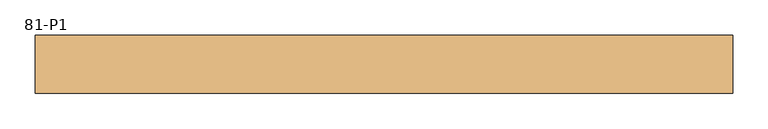
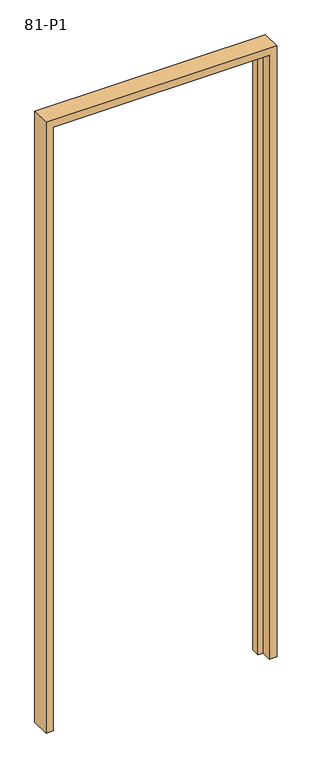
"""IFC4 building model written with IfcOpenShell, lengths in millimetres: door geometry, 81-P1."""

import ifcopenshell
import ifcopenshell.guid

model = None  # the IFC model being written
_history = None  # IfcOwnerHistory: only IFC2X3 demands one
_inside = {}  # id of a spatial element -> (the spatial element, [elements in it])
_under = {}  # id of a project, library or spatial element -> (it, [spatial elements below it])
_declared = {}  # id of a project -> (the project, [libraries it declares])
_typed = {}  # id of a type object -> (the type object, [elements of that type])
_made_of = {}  # id of a material, layer set ... -> (it, [elements and type objects made of it])


def new_model(schema):
    """Start an empty IFC model of exactly this schema.

    Asked for "IFC4X3", IfcOpenShell would pick the latest addendum, in which some entities
    have other attributes; the version numbers below select the first issue.
    IFC2X3 requires an IfcOwnerHistory on every rooted entity: one is made here for all.
    """
    global model, _history
    if schema == "IFC4X3":
        model = ifcopenshell.file(schema_version=(4, 3, 0, 0))
    else:
        model = ifcopenshell.file(schema=schema)
    _inside.clear()
    _under.clear()
    _declared.clear()
    _typed.clear()
    _made_of.clear()
    _history = None
    if model.schema == "IFC2X3":
        org = make("IfcOrganization", Name="unknown")
        user = make(
            "IfcPersonAndOrganization",
            ThePerson=make("IfcPerson", FamilyName="unknown"),
            TheOrganization=org,
        )
        app = make(
            "IfcApplication",
            ApplicationDeveloper=org,
            Version="unknown",
            ApplicationFullName="unknown",
            ApplicationIdentifier="unknown",
        )
        _history = make(
            "IfcOwnerHistory",
            OwningUser=user,
            OwningApplication=app,
            ChangeAction="ADDED",
            CreationDate=0,
        )
    return model


def make(cls, **values):
    """One entity of the class cls with the attributes given. An attribute that is None is left unset."""
    return model.create_entity(
        cls, **{name: value for name, value in values.items() if value is not None}
    )


def rooted(cls, **values):
    """An entity with a GlobalId (a new one), such as an element, a storey or a relation."""
    return make(cls, GlobalId=ifcopenshell.guid.new(), OwnerHistory=_history, **values)


def si_unit(unit_type, name, prefix=None):
    """IfcSIUnit, for example si_unit("LENGTHUNIT", "METRE", prefix="MILLI")."""
    return make("IfcSIUnit", UnitType=unit_type, Prefix=prefix, Name=name)


def assignment(units):
    """IfcUnitAssignment: the units of a project."""
    return None if units is None else make("IfcUnitAssignment", Units=units)


def point(xyz):
    """IfcCartesianPoint."""
    return None if xyz is None else make("IfcCartesianPoint", Coordinates=xyz)


def direction(xyz):
    """IfcDirection."""
    return None if xyz is None else make("IfcDirection", DirectionRatios=xyz)


def frame(location, z_axis=None, x_axis=None):
    """IfcAxis2Placement3D, a coordinate frame: its origin and axes. An axis left out is left unset."""
    return make(
        "IfcAxis2Placement3D",
        Location=point(location),
        Axis=direction(z_axis),
        RefDirection=direction(x_axis),
    )


def origin():
    """The frame at (0, 0, 0) with its axes left unset."""
    return frame((0.0, 0.0, 0.0))


def place(relative_to, where):
    """IfcLocalPlacement: puts the frame where relative to a parent placement (None: the world)."""
    return make(
        "IfcLocalPlacement", PlacementRelTo=relative_to, RelativePlacement=where
    )


def context(
    kind, dimensions, precision=None, world=None, true_north=None, identifier=None
):
    """IfcGeometricRepresentationContext, for example the 3D "Model" context."""
    return make(
        "IfcGeometricRepresentationContext",
        ContextIdentifier=identifier,
        ContextType=kind,
        CoordinateSpaceDimension=dimensions,
        Precision=precision,
        WorldCoordinateSystem=world,
        TrueNorth=true_north,
    )


def project(units=None, contexts=None):
    """IfcProject with its units and contexts."""
    return rooted(
        "IfcProject",
        Name="project",
        RepresentationContexts=contexts,
        UnitsInContext=assignment(units),
    )


def spatial(cls, under=None, at=None, **own):
    """A site, building, storey or space (cls), placed at a placement, below another one or the project."""
    s = rooted(cls, ObjectPlacement=at, **own)
    if under is not None:
        _under.setdefault(under.id(), (under, []))[1].append(s)
    return s


def faces_of(points, faces, orient=None, outer=None):
    """IfcFace entities. A face is a list of loops; a loop is a list of indices into points, from 0.

    orient and outer hold one flag for each loop. By default every Orientation is true, the
    first loop of a face is its IfcFaceOuterBound and the others are IfcFaceBound.
    """
    made = []
    for i, loops in enumerate(faces):
        bounds = []
        for j, loop in enumerate(loops):
            is_outer = j == 0 if outer is None else outer[i][j]
            bounds.append(
                make(
                    "IfcFaceOuterBound" if is_outer else "IfcFaceBound",
                    Bound=make("IfcPolyLoop", Polygon=[points[k] for k in loop]),
                    Orientation=True if orient is None else orient[i][j],
                )
            )
        made.append(make("IfcFace", Bounds=bounds))
    return made


def faceted_brep(points, faces, orient=None, outer=None, voids=None):
    """IfcFacetedBrep: a solid bounded by flat faces; with voids (closed shells), ...WithVoids."""
    shared = [point(p) for p in points]
    hull = make("IfcClosedShell", CfsFaces=faces_of(shared, faces, orient, outer))
    if voids is None:
        return make("IfcFacetedBrep", Outer=hull)
    return make(
        "IfcFacetedBrepWithVoids",
        Outer=hull,
        Voids=[
            make(cls, CfsFaces=faces_of(shared, fs, o, b)) for cls, fs, o, b in voids
        ],
    )


def shape(context_of_items, identifier, shape_type, items):
    """IfcShapeRepresentation: the items that make up one representation, for example the "Body"."""
    return make(
        "IfcShapeRepresentation",
        ContextOfItems=context_of_items,
        RepresentationIdentifier=identifier,
        RepresentationType=shape_type,
        Items=items,
    )


def source(mapping_origin, context_of_items, identifier, shape_type, items):
    """IfcRepresentationMap: a shape defined once, which mapped items show again and again."""
    return make(
        "IfcRepresentationMap",
        MappingOrigin=mapping_origin,
        MappedRepresentation=shape(context_of_items, identifier, shape_type, items),
    )


def transform(
    local_origin,
    x_axis=None,
    y_axis=None,
    z_axis=None,
    scale=None,
    scale2=None,
    scale3=None,
    uniform=True,
):
    """IfcCartesianTransformationOperator3D, or its non-uniform kind. x_axis, y_axis, z_axis: its Axis1, 2, 3."""
    if uniform:
        return make(
            "IfcCartesianTransformationOperator3D",
            Axis1=direction(x_axis),
            Axis2=direction(y_axis),
            LocalOrigin=point(local_origin),
            Scale=scale,
            Axis3=direction(z_axis),
        )
    return make(
        "IfcCartesianTransformationOperator3DnonUniform",
        Axis1=direction(x_axis),
        Axis2=direction(y_axis),
        LocalOrigin=point(local_origin),
        Scale=scale,
        Axis3=direction(z_axis),
        Scale2=scale2,
        Scale3=scale3,
    )


def mapped(mapping_source, mapping_target):
    """IfcMappedItem: shows the shape of a source again, moved by a transform."""
    return make(
        "IfcMappedItem", MappingSource=mapping_source, MappingTarget=mapping_target
    )


def made_of(thing, what):
    """Note that an element or type object is made of a material, layer set ...; save() writes the relation."""
    if what is not None:
        _made_of.setdefault(what.id(), (what, []))[1].append(thing)
    return thing


def element(
    cls,
    number,
    at=None,
    inside=None,
    cuts=None,
    type_object=None,
    material=None,
    context=None,
    identifier="Body",
    shape_type=None,
    held_by="IfcProductDefinitionShape",
    body=None,
    shapes=None,
    **own,
):
    """One element of the class cls, such as IfcWall. Its Tag is "e" and its number.

    at: its placement. inside: the storey or other place that contains it. cuts: it is an
    opening in that element (IfcRelVoidsElement). A single representation is given by context,
    identifier, shape_type and body (its items); several are given by shapes. held_by: the class
    of the entity that holds the representations. save() writes the other relations.
    """
    e = rooted(cls, Tag="e%d" % number, ObjectPlacement=at, **own)
    if body is not None:
        shapes = [shape(context, identifier, shape_type, body)]
    if shapes is not None:
        e.Representation = make(held_by, Representations=shapes)
    if inside is not None:
        _inside.setdefault(inside.id(), (inside, []))[1].append(e)
    if cuts is not None:
        rooted(
            "IfcRelVoidsElement", RelatingBuildingElement=cuts, RelatedOpeningElement=e
        )
    if type_object is not None:
        _typed.setdefault(type_object.id(), (type_object, []))[1].append(e)
    return made_of(e, material)


def aggregate(whole, parts):
    """IfcRelAggregates: a whole, such as a stair, and the parts it consists of."""
    return rooted("IfcRelAggregates", RelatingObject=whole, RelatedObjects=parts)


def save(model, path):
    """Write the relations noted so far, then the file.

    IfcRelAggregates (storeys below a building ...), IfcRelContainedInSpatialStructure (elements
    in a storey), IfcRelDefinesByType, IfcRelAssociatesMaterial and IfcRelDeclares: one each for
    every whole, place, type object, material and project.
    """
    for whole, parts in _under.values():
        aggregate(whole, parts)
    for where, things in _inside.values():
        rooted(
            "IfcRelContainedInSpatialStructure",
            RelatedElements=things,
            RelatingStructure=where,
        )
    for kind, things in _typed.values():
        rooted("IfcRelDefinesByType", RelatedObjects=things, RelatingType=kind)
    for what, things in _made_of.values():
        rooted("IfcRelAssociatesMaterial", RelatedObjects=things, RelatingMaterial=what)
    for by, libraries in _declared.values():
        rooted("IfcRelDeclares", RelatingContext=by, RelatedDefinitions=libraries)
    model.write(path)


def door_81_p1_083264c3(model_context):
    return source(origin(), model_context, "Body", "Brep", [
        faceted_brep([(-497.0, -41.5, 0.0), (-497.0, 41.5, 0.0), (-442.5, 41.5, 0.0), (-442.5, 3.0, 0.0), (-465.0, 3.0, 0.0), (-465.0, -41.5, 0.0), (497.0, 41.5, 0.0), (497.0, -41.5, 0.0), (465.0, -41.5, 0.0), (465.0, 3.0, 0.0), (442.5, 3.0, 0.0), (442.5, 41.5, 0.0), (-497.0, -41.5, 2777.0), (-497.0, 41.5, 2777.0), (497.0, 41.5, 2777.0), (442.5, 41.5, 2722.5), (-442.5, 41.5, 2722.5), (-442.5, 3.0, 2722.5), (465.0, 3.0, 2745.0), (-465.0, 3.0, 2745.0), (442.5, 3.0, 2722.5), (-465.0, -41.5, 2745.0), (497.0, -41.5, 2777.0), (465.0, -41.5, 2745.0)], [[[0, 1, 2, 3, 4, 5]], [[6, 7, 8, 9, 10, 11]], [[12, 13, 1, 0]], [[13, 14, 6, 11, 15, 16, 2, 1]], [[16, 17, 3, 2]], [[18, 19, 4, 3, 17, 20, 10, 9]], [[19, 21, 5, 4]], [[22, 12, 0, 5, 21, 23, 8, 7]], [[14, 22, 7, 6]], [[23, 18, 9, 8]], [[20, 15, 11, 10]], [[22, 14, 13, 12]], [[15, 20, 17, 16]], [[21, 19, 18, 23]]]),
    ])


if __name__ == "__main__":
    model = new_model("IFC4")
    model_context = context("Model", 3, world=origin())
    ifc_project = project(units=[si_unit("LENGTHUNIT", "METRE", prefix="MILLI")], contexts=[model_context])
    site = spatial("IfcSite", under=ifc_project)
    building = spatial("IfcBuilding", under=site)
    placement = place(None, origin())
    door_81_p1_shape = door_81_p1_083264c3(model_context)
    element("IfcDoor", 1, ObjectType="81-P1", at=placement, inside=building, context=model_context, shape_type="MappedRepresentation", body=[
        mapped(door_81_p1_shape, transform((0.0, 0.0, 0.0), x_axis=(1.0, 0.0, 0.0), y_axis=(0.0, 1.0, 0.0), z_axis=(0.0, 0.0, 1.0))),
    ])
    save(model, "model.ifc")
